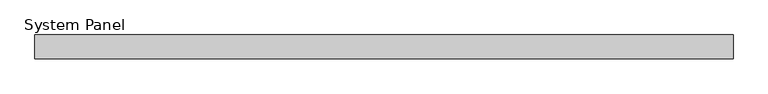
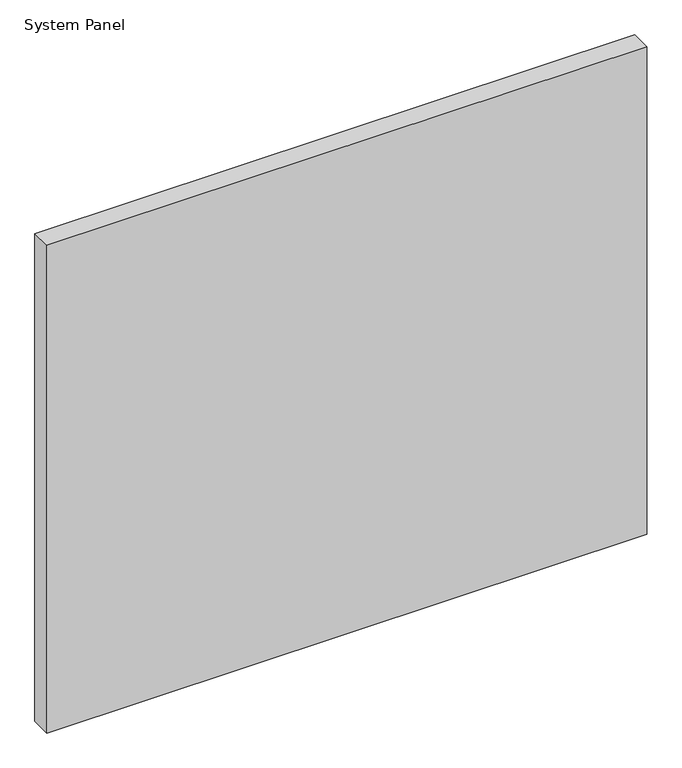
"""IFC4 building model written with IfcOpenShell, lengths in millimetres: plate geometry, System Panel."""

import ifcopenshell
import ifcopenshell.guid

model = None  # the IFC model being written
_history = None  # IfcOwnerHistory: only IFC2X3 demands one
_inside = {}  # id of a spatial element -> (the spatial element, [elements in it])
_under = {}  # id of a project, library or spatial element -> (it, [spatial elements below it])
_declared = {}  # id of a project -> (the project, [libraries it declares])
_typed = {}  # id of a type object -> (the type object, [elements of that type])
_made_of = {}  # id of a material, layer set ... -> (it, [elements and type objects made of it])


def new_model(schema):
    """Start an empty IFC model of exactly this schema.

    Asked for "IFC4X3", IfcOpenShell would pick the latest addendum, in which some entities
    have other attributes; the version numbers below select the first issue.
    IFC2X3 requires an IfcOwnerHistory on every rooted entity: one is made here for all.
    """
    global model, _history
    if schema == "IFC4X3":
        model = ifcopenshell.file(schema_version=(4, 3, 0, 0))
    else:
        model = ifcopenshell.file(schema=schema)
    _inside.clear()
    _under.clear()
    _declared.clear()
    _typed.clear()
    _made_of.clear()
    _history = None
    if model.schema == "IFC2X3":
        org = make("IfcOrganization", Name="unknown")
        user = make(
            "IfcPersonAndOrganization",
            ThePerson=make("IfcPerson", FamilyName="unknown"),
            TheOrganization=org,
        )
        app = make(
            "IfcApplication",
            ApplicationDeveloper=org,
            Version="unknown",
            ApplicationFullName="unknown",
            ApplicationIdentifier="unknown",
        )
        _history = make(
            "IfcOwnerHistory",
            OwningUser=user,
            OwningApplication=app,
            ChangeAction="ADDED",
            CreationDate=0,
        )
    return model


def make(cls, **values):
    """One entity of the class cls with the attributes given. An attribute that is None is left unset."""
    return model.create_entity(
        cls, **{name: value for name, value in values.items() if value is not None}
    )


def rooted(cls, **values):
    """An entity with a GlobalId (a new one), such as an element, a storey or a relation."""
    return make(cls, GlobalId=ifcopenshell.guid.new(), OwnerHistory=_history, **values)


def si_unit(unit_type, name, prefix=None):
    """IfcSIUnit, for example si_unit("LENGTHUNIT", "METRE", prefix="MILLI")."""
    return make("IfcSIUnit", UnitType=unit_type, Prefix=prefix, Name=name)


def assignment(units):
    """IfcUnitAssignment: the units of a project."""
    return None if units is None else make("IfcUnitAssignment", Units=units)


def point(xyz):
    """IfcCartesianPoint."""
    return None if xyz is None else make("IfcCartesianPoint", Coordinates=xyz)


def direction(xyz):
    """IfcDirection."""
    return None if xyz is None else make("IfcDirection", DirectionRatios=xyz)


def frame(location, z_axis=None, x_axis=None):
    """IfcAxis2Placement3D, a coordinate frame: its origin and axes. An axis left out is left unset."""
    return make(
        "IfcAxis2Placement3D",
        Location=point(location),
        Axis=direction(z_axis),
        RefDirection=direction(x_axis),
    )


def origin():
    """The frame at (0, 0, 0) with its axes left unset."""
    return frame((0.0, 0.0, 0.0))


def origin_with_axes():
    """The frame at (0, 0, 0) with the z axis (0, 0, 1) and the x axis (1, 0, 0) written out."""
    return frame((0.0, 0.0, 0.0), z_axis=(0.0, 0.0, 1.0), x_axis=(1.0, 0.0, 0.0))


def place(relative_to, where):
    """IfcLocalPlacement: puts the frame where relative to a parent placement (None: the world)."""
    return make(
        "IfcLocalPlacement", PlacementRelTo=relative_to, RelativePlacement=where
    )


def context(
    kind, dimensions, precision=None, world=None, true_north=None, identifier=None
):
    """IfcGeometricRepresentationContext, for example the 3D "Model" context."""
    return make(
        "IfcGeometricRepresentationContext",
        ContextIdentifier=identifier,
        ContextType=kind,
        CoordinateSpaceDimension=dimensions,
        Precision=precision,
        WorldCoordinateSystem=world,
        TrueNorth=true_north,
    )


def project(units=None, contexts=None):
    """IfcProject with its units and contexts."""
    return rooted(
        "IfcProject",
        Name="project",
        RepresentationContexts=contexts,
        UnitsInContext=assignment(units),
    )


def spatial(cls, under=None, at=None, **own):
    """A site, building, storey or space (cls), placed at a placement, below another one or the project."""
    s = rooted(cls, ObjectPlacement=at, **own)
    if under is not None:
        _under.setdefault(under.id(), (under, []))[1].append(s)
    return s


def polyline(points):
    """IfcPolyline through the points."""
    return make("IfcPolyline", Points=[point(p) for p in points])


def outline(outer, holes=None, kind="AREA"):
    """IfcArbitraryClosedProfileDef: a profile drawn as a closed curve; with holes, ...WithVoids."""
    if holes is None:
        return make("IfcArbitraryClosedProfileDef", ProfileType=kind, OuterCurve=outer)
    return make(
        "IfcArbitraryProfileDefWithVoids",
        ProfileType=kind,
        OuterCurve=outer,
        InnerCurves=holes,
    )


def extrude(swept, where, along, depth):
    """IfcExtrudedAreaSolid: the profile swept, set in the frame where, extruded along a direction by depth."""
    return make(
        "IfcExtrudedAreaSolid",
        SweptArea=swept,
        Position=where,
        ExtrudedDirection=direction(along),
        Depth=depth,
    )


def shape(context_of_items, identifier, shape_type, items):
    """IfcShapeRepresentation: the items that make up one representation, for example the "Body"."""
    return make(
        "IfcShapeRepresentation",
        ContextOfItems=context_of_items,
        RepresentationIdentifier=identifier,
        RepresentationType=shape_type,
        Items=items,
    )


def source(mapping_origin, context_of_items, identifier, shape_type, items):
    """IfcRepresentationMap: a shape defined once, which mapped items show again and again."""
    return make(
        "IfcRepresentationMap",
        MappingOrigin=mapping_origin,
        MappedRepresentation=shape(context_of_items, identifier, shape_type, items),
    )


def transform(
    local_origin,
    x_axis=None,
    y_axis=None,
    z_axis=None,
    scale=None,
    scale2=None,
    scale3=None,
    uniform=True,
):
    """IfcCartesianTransformationOperator3D, or its non-uniform kind. x_axis, y_axis, z_axis: its Axis1, 2, 3."""
    if uniform:
        return make(
            "IfcCartesianTransformationOperator3D",
            Axis1=direction(x_axis),
            Axis2=direction(y_axis),
            LocalOrigin=point(local_origin),
            Scale=scale,
            Axis3=direction(z_axis),
        )
    return make(
        "IfcCartesianTransformationOperator3DnonUniform",
        Axis1=direction(x_axis),
        Axis2=direction(y_axis),
        LocalOrigin=point(local_origin),
        Scale=scale,
        Axis3=direction(z_axis),
        Scale2=scale2,
        Scale3=scale3,
    )


def mapped(mapping_source, mapping_target):
    """IfcMappedItem: shows the shape of a source again, moved by a transform."""
    return make(
        "IfcMappedItem", MappingSource=mapping_source, MappingTarget=mapping_target
    )


def made_of(thing, what):
    """Note that an element or type object is made of a material, layer set ...; save() writes the relation."""
    if what is not None:
        _made_of.setdefault(what.id(), (what, []))[1].append(thing)
    return thing


def element(
    cls,
    number,
    at=None,
    inside=None,
    cuts=None,
    type_object=None,
    material=None,
    context=None,
    identifier="Body",
    shape_type=None,
    held_by="IfcProductDefinitionShape",
    body=None,
    shapes=None,
    **own,
):
    """One element of the class cls, such as IfcWall. Its Tag is "e" and its number.

    at: its placement. inside: the storey or other place that contains it. cuts: it is an
    opening in that element (IfcRelVoidsElement). A single representation is given by context,
    identifier, shape_type and body (its items); several are given by shapes. held_by: the class
    of the entity that holds the representations. save() writes the other relations.
    """
    e = rooted(cls, Tag="e%d" % number, ObjectPlacement=at, **own)
    if body is not None:
        shapes = [shape(context, identifier, shape_type, body)]
    if shapes is not None:
        e.Representation = make(held_by, Representations=shapes)
    if inside is not None:
        _inside.setdefault(inside.id(), (inside, []))[1].append(e)
    if cuts is not None:
        rooted(
            "IfcRelVoidsElement", RelatingBuildingElement=cuts, RelatedOpeningElement=e
        )
    if type_object is not None:
        _typed.setdefault(type_object.id(), (type_object, []))[1].append(e)
    return made_of(e, material)


def aggregate(whole, parts):
    """IfcRelAggregates: a whole, such as a stair, and the parts it consists of."""
    return rooted("IfcRelAggregates", RelatingObject=whole, RelatedObjects=parts)


def save(model, path):
    """Write the relations noted so far, then the file.

    IfcRelAggregates (storeys below a building ...), IfcRelContainedInSpatialStructure (elements
    in a storey), IfcRelDefinesByType, IfcRelAssociatesMaterial and IfcRelDeclares: one each for
    every whole, place, type object, material and project.
    """
    for whole, parts in _under.values():
        aggregate(whole, parts)
    for where, things in _inside.values():
        rooted(
            "IfcRelContainedInSpatialStructure",
            RelatedElements=things,
            RelatingStructure=where,
        )
    for kind, things in _typed.values():
        rooted("IfcRelDefinesByType", RelatedObjects=things, RelatingType=kind)
    for what, things in _made_of.values():
        rooted("IfcRelAssociatesMaterial", RelatedObjects=things, RelatingMaterial=what)
    for by, libraries in _declared.values():
        rooted("IfcRelDeclares", RelatingContext=by, RelatedDefinitions=libraries)
    model.write(path)


def system_panel_16211928(model_context):
    return source(origin(), model_context, "Body", "SweptSolid", [
        extrude(outline(polyline([(587.5, 14.0), (-587.5, 14.0), (-587.5, 54.0), (587.5, 54.0), (587.5, 14.0)])), origin_with_axes(), (0.0, 0.0, 1.0), 1010.0),
    ])


if __name__ == "__main__":
    model = new_model("IFC4")
    model_context = context("Model", 3, world=origin())
    ifc_project = project(units=[si_unit("LENGTHUNIT", "METRE", prefix="MILLI")], contexts=[model_context])
    site = spatial("IfcSite", under=ifc_project)
    building = spatial("IfcBuilding", under=site)
    placement = place(None, origin())
    system_panel_shape = system_panel_16211928(model_context)
    element("IfcPlate", 1, ObjectType="System Panel", at=placement, inside=building, context=model_context, shape_type="MappedRepresentation", body=[
        mapped(system_panel_shape, transform((0.0, 0.0, 0.0), x_axis=(1.0, 0.0, 0.0), y_axis=(0.0, 1.0, 0.0), z_axis=(0.0, 0.0, 1.0))),
    ])
    save(model, "model.ifc")
